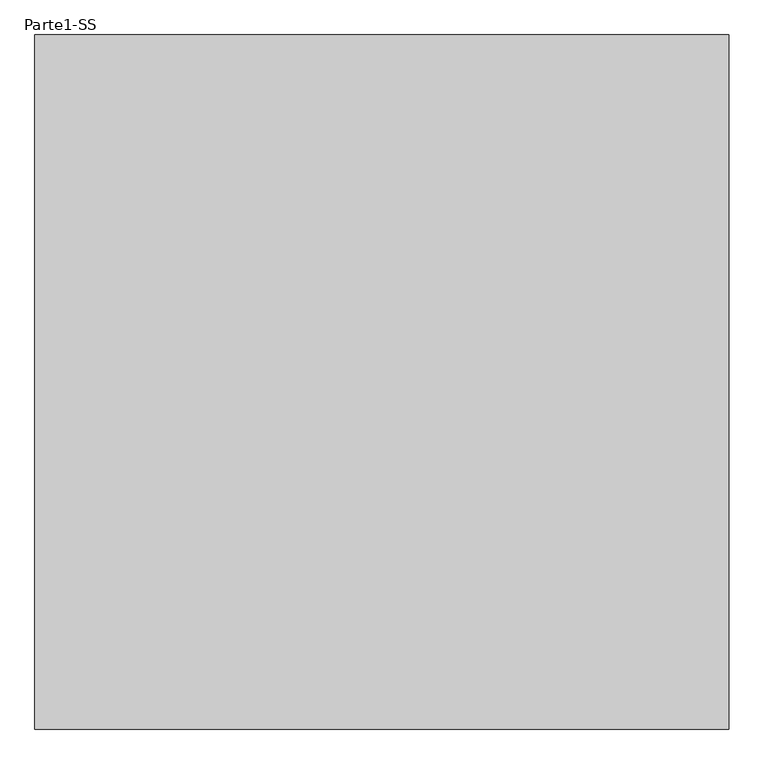
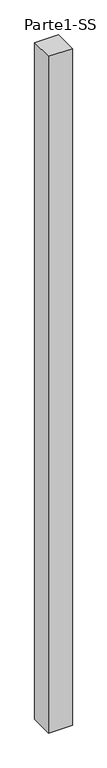
"""IFC4 building model written with IfcOpenShell, lengths in millimetres: proxy geometry, Parte1-SS."""

from ifc_helpers import new_model, si_unit, frame, origin, place, context, project, spatial, polyline, outline, extrude, source, transform, mapped, element, save


def parte1_ss_1c3691bc(model_context):
    return source(origin(), model_context, "Body", "SweptSolid", [
        extrude(outline(polyline([(2000.0, 2000.0), (2000.0, 0.0), (0.0, 0.0), (0.0, 2000.0), (2000.0, 2000.0)])), frame((0.0, 0.0, 5000.0), z_axis=(0.0, 0.0, 1.0), x_axis=(1.0, 0.0, 0.0)), (0.0, 0.0, 1.0), 60000.0),
    ])


if __name__ == "__main__":
    model = new_model("IFC4")
    model_context = context("Model", 3, world=origin())
    ifc_project = project(units=[si_unit("LENGTHUNIT", "METRE", prefix="MILLI")], contexts=[model_context])
    site = spatial("IfcSite", under=ifc_project)
    building = spatial("IfcBuilding", under=site)
    placement = place(None, origin())
    parte1_ss_shape = parte1_ss_1c3691bc(model_context)
    element("IfcBuildingElementProxy", 1, Name="Parte1-SS", ObjectType="Parte1-SS", at=placement, inside=building, context=model_context, shape_type="MappedRepresentation", body=[
        mapped(parte1_ss_shape, transform((0.0, 0.0, 0.0), x_axis=(1.0, 0.0, 0.0), y_axis=(0.0, 1.0, 0.0), z_axis=(0.0, 0.0, 1.0))),
    ])
    save(model, "model.ifc")
